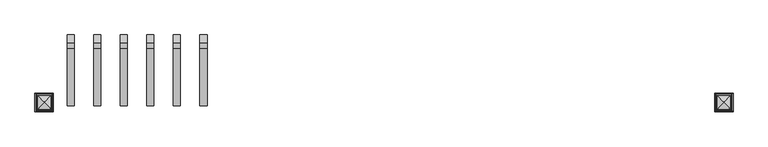
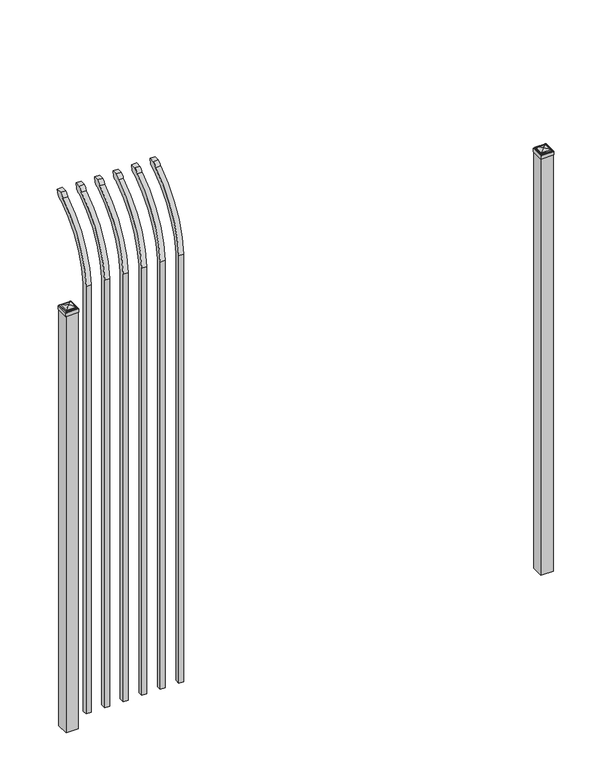
"""IFC4 building model written with IfcOpenShell, lengths in millimetres: railing geometry."""

from ifc_helpers import new_model, si_unit, point, frame, origin, origin_with_axes, place, context, project, spatial, polyline, circle_curve, ellipse_curve, trimmed, outline, extrude, source, transform, mapped, element, save
from ifc_brep_helpers import plane_surface, cylinder_surface, revolved_surface, extruded_surface, advanced_brep


def railing_7e916ccb(model_context):
    return source(origin(), model_context, "Body", "SolidModel", [
        advanced_brep(
        [(25175.9350064, 10381.619541, 50.8), (25175.9350064, 10381.619541, 2368.7226889), (25175.9350064, 10578.7326851, 2700.9022378), (25175.9350064, 10605.2407099, 2715.5867549), (25175.9350064, 10611.1100864, 2743.2), (25175.9350064, 10582.8799449, 2743.2), (25175.9350064, 10563.4931591, 2722.2682561), (25175.9350064, 10356.219541, 2368.7226889), (25175.9350064, 10356.219541, 50.8), (25150.5350064, 10381.619541, 50.8), (25150.5350064, 10381.619541, 2368.7226889), (25150.5350064, 10356.219541, 2368.7226889), (25150.5350064, 10356.219541, 50.8), (25150.5350064, 10563.4931591, 2722.2682561), (25150.5350064, 10582.8799449, 2743.2), (25150.5350064, 10611.1100864, 2743.2), (25150.5350064, 10605.2407099, 2715.5867549), (25150.5350064, 10578.7326851, 2700.9022378)],
        [
            (0, 1),
            (1, 2, circle_curve(frame((25175.9350064, 10818.9874207, 2333.7640776), z_axis=(-1.0, 0.0, 0.0), x_axis=(0.0, 1.0, 0.0)), 438.7627681)),
            (2, 3, ellipse_curve(frame((25175.9350064, 10586.5579376, 2723.3180619), z_axis=(1.0, 0.0, 0.0), x_axis=(0.0, -0.7771459614569761, -0.6293203910498311)), 26.7460194, 19.05)),
            (3, 4),
            (4, 5),
            (5, 6, ellipse_curve(frame((25175.9350064, 10586.5579376, 2723.3180619), z_axis=(0.9999999999999999, 0.0, 0.0), x_axis=(0.0, -0.7771459614569763, -0.6293203910498306)), 26.7460194, 19.05)),
            (6, 7, circle_curve(frame((25175.9350064, 10818.0333244, 2335.5065933), z_axis=(1.0, 0.0, 0.0), x_axis=(0.0, 1.0, 0.0)), 463.0067812)),
            (7, 8),
            (8, 0),
            (0, 9),
            (9, 10),
            (10, 1),
            (7, 11),
            (11, 12),
            (12, 8),
            (12, 9),
            (11, 13, circle_curve(frame((25150.5350064, 10818.0333244, 2335.5065933), z_axis=(-1.0, 0.0, 0.0), x_axis=(0.0, 1.0, 0.0)), 463.0067812)),
            (13, 14, ellipse_curve(frame((25150.5350064, 10586.5579376, 2723.3180619), z_axis=(-0.9999999999999999, 0.0, 0.0), x_axis=(0.0, -0.7771459614569763, -0.6293203910498306)), 26.7460194, 19.05)),
            (14, 15),
            (15, 16),
            (16, 17, ellipse_curve(frame((25150.5350064, 10586.5579376, 2723.3180619), z_axis=(-1.0, 0.0, 0.0), x_axis=(0.0, -0.7771459614569761, -0.6293203910498311)), 26.7460194, 19.05)),
            (17, 10, circle_curve(frame((25150.5350064, 10818.9874207, 2333.7640776), z_axis=(1.0, 0.0, 0.0), x_axis=(0.0, 1.0, 0.0)), 438.7627681)),
            (17, 2),
            (16, 3),
            (15, 4),
            (14, 5),
            (13, 6),
        ],
        [
            plane_surface(frame((25175.9350064, 10381.619541, 50.8), z_axis=(1.0, 0.0, 0.0), x_axis=(0.0, 0.0, 1.0))),
            plane_surface(frame((25175.9350064, 10381.619541, 50.8), z_axis=(0.0, 1.0, 0.0), x_axis=(-1.0, 0.0, 0.0))),
            plane_surface(frame((25175.9350064, 10356.219541, 2368.7226889), z_axis=(0.0, -1.0, 0.0), x_axis=(-1.0, 0.0, 0.0))),
            plane_surface(frame((25175.9350064, 10356.219541, 50.8), z_axis=(0.0, 0.0, -1.0), x_axis=(-1.0, 0.0, 0.0))),
            plane_surface(frame((25150.5350064, 10381.619541, 50.8), z_axis=(-1.0, 0.0, 0.0), x_axis=(0.0, 0.0, -1.0))),
            revolved_surface(polyline([(25150.5350064, 11257.750188799999, 2333.7640776), (25175.9350064, 11257.750188799999, 2333.7640776)]), (25150.5350064, 10818.9874207, 2333.7640776), (-1.0, 0.0, 0.0)),
            extruded_surface(trimmed(ellipse_curve(frame((25125.1350064, 10586.5579376, 2723.3180619), z_axis=(1.0, 0.0, 0.0), x_axis=(0.0, -0.7771459614569761, -0.6293203910498311)), 26.7460194, 19.05), [point((25125.1350064, 10578.7326851, 2700.9022378))], [point((25125.1350064, 10605.2407099, 2715.5867549))], True, "CARTESIAN"), (25.400000000001455, 0.0, 0.0), 25.400000000001455),
            plane_surface(frame((25175.9350064, 10605.2407099, 2715.5867549), z_axis=(0.0, 0.9781476007337995, -0.2079116908177883), x_axis=(-1.0, 0.0, 0.0))),
            plane_surface(frame((25175.9350064, 10611.1100864, 2743.2), z_axis=(0.0, 0.0, 1.0), x_axis=(-1.0, 0.0, 0.0))),
            extruded_surface(trimmed(ellipse_curve(frame((25125.1350064, 10586.5579376, 2723.3180619), z_axis=(0.9999999999999999, 0.0, 0.0), x_axis=(0.0, -0.7771459614569763, -0.6293203910498306)), 26.7460194, 19.05), [point((25125.1350064, 10582.8799449, 2743.2))], [point((25125.1350064, 10563.4931591, 2722.2682561))], True, "CARTESIAN"), (25.400000000001455, 0.0, 0.0), 25.400000000001455),
            cylinder_surface(frame((25150.5350064, 10818.0333244, 2335.5065933), z_axis=(1.0, 0.0, 0.0), x_axis=(0.0, 1.0, 0.0)), 463.0067812),
        ],
        [
            (0, [[1, 2, 3, 4, 5, 6, 7, 8, 9]]),
            (1, [[-1, 10, 11, 12]]),
            (2, [[-8, 13, 14, 15]]),
            (3, [[-9, -15, 16, -10]]),
            (4, [[-16, -14, 17, 18, 19, 20, 21, 22, -11]]),
            (5, [[-2, -12, -22, 23]]),
            (6, [[-3, -23, -21, 24]]),
            (7, [[-4, -24, -20, 25]]),
            (8, [[-5, -25, -19, 26]]),
            (9, [[-6, -26, -18, 27]]),
            (10, [[-7, -27, -17, -13]]),
        ],
    ),
        advanced_brep(
        [(25080.6850064, 10381.619541, 50.8), (25080.6850064, 10381.619541, 2368.7226889), (25080.6850064, 10578.7326851, 2700.9022378), (25080.6850064, 10605.2407099, 2715.5867549), (25080.6850064, 10611.1100864, 2743.2), (25080.6850064, 10582.8799449, 2743.2), (25080.6850064, 10563.4931591, 2722.2682561), (25080.6850064, 10356.219541, 2368.7226889), (25080.6850064, 10356.219541, 50.8), (25055.2850064, 10381.619541, 50.8), (25055.2850064, 10381.619541, 2368.7226889), (25055.2850064, 10356.219541, 2368.7226889), (25055.2850064, 10356.219541, 50.8), (25055.2850064, 10563.4931591, 2722.2682561), (25055.2850064, 10582.8799449, 2743.2), (25055.2850064, 10611.1100864, 2743.2), (25055.2850064, 10605.2407099, 2715.5867549), (25055.2850064, 10578.7326851, 2700.9022378)],
        [
            (0, 1),
            (1, 2, circle_curve(frame((25080.6850064, 10818.9874207, 2333.7640776), z_axis=(-1.0, 0.0, 0.0), x_axis=(0.0, 1.0, 0.0)), 438.7627681)),
            (2, 3, ellipse_curve(frame((25080.6850064, 10586.5579376, 2723.3180619), z_axis=(1.0, 0.0, 0.0), x_axis=(0.0, -0.7771459614569761, -0.6293203910498311)), 26.7460194, 19.05)),
            (3, 4),
            (4, 5),
            (5, 6, ellipse_curve(frame((25080.6850064, 10586.5579376, 2723.3180619), z_axis=(0.9999999999999999, 0.0, 0.0), x_axis=(0.0, -0.7771459614569763, -0.6293203910498306)), 26.7460194, 19.05)),
            (6, 7, circle_curve(frame((25080.6850064, 10818.0333244, 2335.5065933), z_axis=(1.0, 0.0, 0.0), x_axis=(0.0, 1.0, 0.0)), 463.0067812)),
            (7, 8),
            (8, 0),
            (0, 9),
            (9, 10),
            (10, 1),
            (7, 11),
            (11, 12),
            (12, 8),
            (12, 9),
            (11, 13, circle_curve(frame((25055.2850064, 10818.0333244, 2335.5065933), z_axis=(-1.0, 0.0, 0.0), x_axis=(0.0, 1.0, 0.0)), 463.0067812)),
            (13, 14, ellipse_curve(frame((25055.2850064, 10586.5579376, 2723.3180619), z_axis=(-0.9999999999999999, 0.0, 0.0), x_axis=(0.0, -0.7771459614569763, -0.6293203910498306)), 26.7460194, 19.05)),
            (14, 15),
            (15, 16),
            (16, 17, ellipse_curve(frame((25055.2850064, 10586.5579376, 2723.3180619), z_axis=(-1.0, 0.0, 0.0), x_axis=(0.0, -0.7771459614569761, -0.6293203910498311)), 26.7460194, 19.05)),
            (17, 10, circle_curve(frame((25055.2850064, 10818.9874207, 2333.7640776), z_axis=(1.0, 0.0, 0.0), x_axis=(0.0, 1.0, 0.0)), 438.7627681)),
            (17, 2),
            (16, 3),
            (15, 4),
            (14, 5),
            (13, 6),
        ],
        [
            plane_surface(frame((25080.6850064, 10381.619541, 50.8), z_axis=(1.0, 0.0, 0.0), x_axis=(0.0, 0.0, 1.0))),
            plane_surface(frame((25080.6850064, 10381.619541, 50.8), z_axis=(0.0, 1.0, 0.0), x_axis=(-1.0, 0.0, 0.0))),
            plane_surface(frame((25080.6850064, 10356.219541, 2368.7226889), z_axis=(0.0, -1.0, 0.0), x_axis=(-1.0, 0.0, 0.0))),
            plane_surface(frame((25080.6850064, 10356.219541, 50.8), z_axis=(0.0, 0.0, -1.0), x_axis=(-1.0, 0.0, 0.0))),
            plane_surface(frame((25055.2850064, 10381.619541, 50.8), z_axis=(-1.0, 0.0, 0.0), x_axis=(0.0, 0.0, -1.0))),
            revolved_surface(polyline([(25055.2850064, 11257.750188799999, 2333.7640776), (25080.6850064, 11257.750188799999, 2333.7640776)]), (25055.2850064, 10818.9874207, 2333.7640776), (-1.0, 0.0, 0.0)),
            extruded_surface(trimmed(ellipse_curve(frame((25029.8850064, 10586.5579376, 2723.3180619), z_axis=(1.0, 0.0, 0.0), x_axis=(0.0, -0.7771459614569761, -0.6293203910498311)), 26.7460194, 19.05), [point((25029.8850064, 10578.7326851, 2700.9022378))], [point((25029.8850064, 10605.2407099, 2715.5867549))], True, "CARTESIAN"), (25.400000000001455, 0.0, 0.0), 25.400000000001455),
            plane_surface(frame((25080.6850064, 10605.2407099, 2715.5867549), z_axis=(0.0, 0.9781476007337995, -0.2079116908177883), x_axis=(-1.0, 0.0, 0.0))),
            plane_surface(frame((25080.6850064, 10611.1100864, 2743.2), z_axis=(0.0, 0.0, 1.0), x_axis=(-1.0, 0.0, 0.0))),
            extruded_surface(trimmed(ellipse_curve(frame((25029.8850064, 10586.5579376, 2723.3180619), z_axis=(0.9999999999999999, 0.0, 0.0), x_axis=(0.0, -0.7771459614569763, -0.6293203910498306)), 26.7460194, 19.05), [point((25029.8850064, 10582.8799449, 2743.2))], [point((25029.8850064, 10563.4931591, 2722.2682561))], True, "CARTESIAN"), (25.400000000001455, 0.0, 0.0), 25.400000000001455),
            cylinder_surface(frame((25055.2850064, 10818.0333244, 2335.5065933), z_axis=(1.0, 0.0, 0.0), x_axis=(0.0, 1.0, 0.0)), 463.0067812),
        ],
        [
            (0, [[1, 2, 3, 4, 5, 6, 7, 8, 9]]),
            (1, [[-1, 10, 11, 12]]),
            (2, [[-8, 13, 14, 15]]),
            (3, [[-9, -15, 16, -10]]),
            (4, [[-16, -14, 17, 18, 19, 20, 21, 22, -11]]),
            (5, [[-2, -12, -22, 23]]),
            (6, [[-3, -23, -21, 24]]),
            (7, [[-4, -24, -20, 25]]),
            (8, [[-5, -25, -19, 26]]),
            (9, [[-6, -26, -18, 27]]),
            (10, [[-7, -27, -17, -13]]),
        ],
    ),
        advanced_brep(
        [(24985.4350064, 10381.619541, 50.8), (24985.4350064, 10381.619541, 2368.7226889), (24985.4350064, 10578.7326851, 2700.9022378), (24985.4350064, 10605.2407099, 2715.5867549), (24985.4350064, 10611.1100864, 2743.2), (24985.4350064, 10582.8799449, 2743.2), (24985.4350064, 10563.4931591, 2722.2682561), (24985.4350064, 10356.219541, 2368.7226889), (24985.4350064, 10356.219541, 50.8), (24960.0350064, 10381.619541, 50.8), (24960.0350064, 10381.619541, 2368.7226889), (24960.0350064, 10356.219541, 2368.7226889), (24960.0350064, 10356.219541, 50.8), (24960.0350064, 10563.4931591, 2722.2682561), (24960.0350064, 10582.8799449, 2743.2), (24960.0350064, 10611.1100864, 2743.2), (24960.0350064, 10605.2407099, 2715.5867549), (24960.0350064, 10578.7326851, 2700.9022378)],
        [
            (0, 1),
            (1, 2, circle_curve(frame((24985.4350064, 10818.9874207, 2333.7640776), z_axis=(-1.0, 0.0, 0.0), x_axis=(0.0, 1.0, 0.0)), 438.7627681)),
            (2, 3, ellipse_curve(frame((24985.4350064, 10586.5579376, 2723.3180619), z_axis=(1.0, 0.0, 0.0), x_axis=(0.0, -0.7771459614569761, -0.6293203910498311)), 26.7460194, 19.05)),
            (3, 4),
            (4, 5),
            (5, 6, ellipse_curve(frame((24985.4350064, 10586.5579376, 2723.3180619), z_axis=(0.9999999999999999, 0.0, 0.0), x_axis=(0.0, -0.7771459614569763, -0.6293203910498306)), 26.7460194, 19.05)),
            (6, 7, circle_curve(frame((24985.4350064, 10818.0333244, 2335.5065933), z_axis=(1.0, 0.0, 0.0), x_axis=(0.0, 1.0, 0.0)), 463.0067812)),
            (7, 8),
            (8, 0),
            (0, 9),
            (9, 10),
            (10, 1),
            (7, 11),
            (11, 12),
            (12, 8),
            (12, 9),
            (11, 13, circle_curve(frame((24960.0350064, 10818.0333244, 2335.5065933), z_axis=(-1.0, 0.0, 0.0), x_axis=(0.0, 1.0, 0.0)), 463.0067812)),
            (13, 14, ellipse_curve(frame((24960.0350064, 10586.5579376, 2723.3180619), z_axis=(-0.9999999999999999, 0.0, 0.0), x_axis=(0.0, -0.7771459614569763, -0.6293203910498306)), 26.7460194, 19.05)),
            (14, 15),
            (15, 16),
            (16, 17, ellipse_curve(frame((24960.0350064, 10586.5579376, 2723.3180619), z_axis=(-1.0, 0.0, 0.0), x_axis=(0.0, -0.7771459614569761, -0.6293203910498311)), 26.7460194, 19.05)),
            (17, 10, circle_curve(frame((24960.0350064, 10818.9874207, 2333.7640776), z_axis=(1.0, 0.0, 0.0), x_axis=(0.0, 1.0, 0.0)), 438.7627681)),
            (17, 2),
            (16, 3),
            (15, 4),
            (14, 5),
            (13, 6),
        ],
        [
            plane_surface(frame((24985.4350064, 10381.619541, 50.8), z_axis=(1.0, 0.0, 0.0), x_axis=(0.0, 0.0, 1.0))),
            plane_surface(frame((24985.4350064, 10381.619541, 50.8), z_axis=(0.0, 1.0, 0.0), x_axis=(-1.0, 0.0, 0.0))),
            plane_surface(frame((24985.4350064, 10356.219541, 2368.7226889), z_axis=(0.0, -1.0, 0.0), x_axis=(-1.0, 0.0, 0.0))),
            plane_surface(frame((24985.4350064, 10356.219541, 50.8), z_axis=(0.0, 0.0, -1.0), x_axis=(-1.0, 0.0, 0.0))),
            plane_surface(frame((24960.0350064, 10381.619541, 50.8), z_axis=(-1.0, 0.0, 0.0), x_axis=(0.0, 0.0, -1.0))),
            revolved_surface(polyline([(24960.0350064, 11257.750188799999, 2333.7640776), (24985.4350064, 11257.750188799999, 2333.7640776)]), (24960.0350064, 10818.9874207, 2333.7640776), (-1.0, 0.0, 0.0)),
            extruded_surface(trimmed(ellipse_curve(frame((24934.6350064, 10586.5579376, 2723.3180619), z_axis=(1.0, 0.0, 0.0), x_axis=(0.0, -0.7771459614569761, -0.6293203910498311)), 26.7460194, 19.05), [point((24934.6350064, 10578.7326851, 2700.9022378))], [point((24934.6350064, 10605.2407099, 2715.5867549))], True, "CARTESIAN"), (25.400000000001455, 0.0, 0.0), 25.400000000001455),
            plane_surface(frame((24985.4350064, 10605.2407099, 2715.5867549), z_axis=(0.0, 0.9781476007337995, -0.2079116908177883), x_axis=(-1.0, 0.0, 0.0))),
            plane_surface(frame((24985.4350064, 10611.1100864, 2743.2), z_axis=(0.0, 0.0, 1.0), x_axis=(-1.0, 0.0, 0.0))),
            extruded_surface(trimmed(ellipse_curve(frame((24934.6350064, 10586.5579376, 2723.3180619), z_axis=(0.9999999999999999, 0.0, 0.0), x_axis=(0.0, -0.7771459614569763, -0.6293203910498306)), 26.7460194, 19.05), [point((24934.6350064, 10582.8799449, 2743.2))], [point((24934.6350064, 10563.4931591, 2722.2682561))], True, "CARTESIAN"), (25.400000000001455, 0.0, 0.0), 25.400000000001455),
            cylinder_surface(frame((24960.0350064, 10818.0333244, 2335.5065933), z_axis=(1.0, 0.0, 0.0), x_axis=(0.0, 1.0, 0.0)), 463.0067812),
        ],
        [
            (0, [[1, 2, 3, 4, 5, 6, 7, 8, 9]]),
            (1, [[-1, 10, 11, 12]]),
            (2, [[-8, 13, 14, 15]]),
            (3, [[-9, -15, 16, -10]]),
            (4, [[-16, -14, 17, 18, 19, 20, 21, 22, -11]]),
            (5, [[-2, -12, -22, 23]]),
            (6, [[-3, -23, -21, 24]]),
            (7, [[-4, -24, -20, 25]]),
            (8, [[-5, -25, -19, 26]]),
            (9, [[-6, -26, -18, 27]]),
            (10, [[-7, -27, -17, -13]]),
        ],
    ),
        advanced_brep(
        [(24890.1850064, 10381.619541, 50.8), (24890.1850064, 10381.619541, 2368.7226889), (24890.1850064, 10578.7326851, 2700.9022378), (24890.1850064, 10605.2407099, 2715.5867549), (24890.1850064, 10611.1100864, 2743.2), (24890.1850064, 10582.8799449, 2743.2), (24890.1850064, 10563.4931591, 2722.2682561), (24890.1850064, 10356.219541, 2368.7226889), (24890.1850064, 10356.219541, 50.8), (24864.7850064, 10381.619541, 50.8), (24864.7850064, 10381.619541, 2368.7226889), (24864.7850064, 10356.219541, 2368.7226889), (24864.7850064, 10356.219541, 50.8), (24864.7850064, 10563.4931591, 2722.2682561), (24864.7850064, 10582.8799449, 2743.2), (24864.7850064, 10611.1100864, 2743.2), (24864.7850064, 10605.2407099, 2715.5867549), (24864.7850064, 10578.7326851, 2700.9022378)],
        [
            (0, 1),
            (1, 2, circle_curve(frame((24890.1850064, 10818.9874207, 2333.7640776), z_axis=(-1.0, 0.0, 0.0), x_axis=(0.0, 1.0, 0.0)), 438.7627681)),
            (2, 3, ellipse_curve(frame((24890.1850064, 10586.5579376, 2723.3180619), z_axis=(1.0, 0.0, 0.0), x_axis=(0.0, -0.7771459614569761, -0.6293203910498311)), 26.7460194, 19.05)),
            (3, 4),
            (4, 5),
            (5, 6, ellipse_curve(frame((24890.1850064, 10586.5579376, 2723.3180619), z_axis=(0.9999999999999999, 0.0, 0.0), x_axis=(0.0, -0.7771459614569763, -0.6293203910498306)), 26.7460194, 19.05)),
            (6, 7, circle_curve(frame((24890.1850064, 10818.0333244, 2335.5065933), z_axis=(1.0, 0.0, 0.0), x_axis=(0.0, 1.0, 0.0)), 463.0067812)),
            (7, 8),
            (8, 0),
            (0, 9),
            (9, 10),
            (10, 1),
            (7, 11),
            (11, 12),
            (12, 8),
            (12, 9),
            (11, 13, circle_curve(frame((24864.7850064, 10818.0333244, 2335.5065933), z_axis=(-1.0, 0.0, 0.0), x_axis=(0.0, 1.0, 0.0)), 463.0067812)),
            (13, 14, ellipse_curve(frame((24864.7850064, 10586.5579376, 2723.3180619), z_axis=(-0.9999999999999999, 0.0, 0.0), x_axis=(0.0, -0.7771459614569763, -0.6293203910498306)), 26.7460194, 19.05)),
            (14, 15),
            (15, 16),
            (16, 17, ellipse_curve(frame((24864.7850064, 10586.5579376, 2723.3180619), z_axis=(-1.0, 0.0, 0.0), x_axis=(0.0, -0.7771459614569761, -0.6293203910498311)), 26.7460194, 19.05)),
            (17, 10, circle_curve(frame((24864.7850064, 10818.9874207, 2333.7640776), z_axis=(1.0, 0.0, 0.0), x_axis=(0.0, 1.0, 0.0)), 438.7627681)),
            (17, 2),
            (16, 3),
            (15, 4),
            (14, 5),
            (13, 6),
        ],
        [
            plane_surface(frame((24890.1850064, 10381.619541, 50.8), z_axis=(1.0, 0.0, 0.0), x_axis=(0.0, 0.0, 1.0))),
            plane_surface(frame((24890.1850064, 10381.619541, 50.8), z_axis=(0.0, 1.0, 0.0), x_axis=(-1.0, 0.0, 0.0))),
            plane_surface(frame((24890.1850064, 10356.219541, 2368.7226889), z_axis=(0.0, -1.0, 0.0), x_axis=(-1.0, 0.0, 0.0))),
            plane_surface(frame((24890.1850064, 10356.219541, 50.8), z_axis=(0.0, 0.0, -1.0), x_axis=(-1.0, 0.0, 0.0))),
            plane_surface(frame((24864.7850064, 10381.619541, 50.8), z_axis=(-1.0, 0.0, 0.0), x_axis=(0.0, 0.0, -1.0))),
            revolved_surface(polyline([(24864.7850064, 11257.750188799999, 2333.7640776), (24890.1850064, 11257.750188799999, 2333.7640776)]), (24864.7850064, 10818.9874207, 2333.7640776), (-1.0, 0.0, 0.0)),
            extruded_surface(trimmed(ellipse_curve(frame((24839.3850064, 10586.5579376, 2723.3180619), z_axis=(1.0, 0.0, 0.0), x_axis=(0.0, -0.7771459614569761, -0.6293203910498311)), 26.7460194, 19.05), [point((24839.3850064, 10578.7326851, 2700.9022378))], [point((24839.3850064, 10605.2407099, 2715.5867549))], True, "CARTESIAN"), (25.400000000001455, 0.0, 0.0), 25.400000000001455),
            plane_surface(frame((24890.1850064, 10605.2407099, 2715.5867549), z_axis=(0.0, 0.9781476007337995, -0.2079116908177883), x_axis=(-1.0, 0.0, 0.0))),
            plane_surface(frame((24890.1850064, 10611.1100864, 2743.2), z_axis=(0.0, 0.0, 1.0), x_axis=(-1.0, 0.0, 0.0))),
            extruded_surface(trimmed(ellipse_curve(frame((24839.3850064, 10586.5579376, 2723.3180619), z_axis=(0.9999999999999999, 0.0, 0.0), x_axis=(0.0, -0.7771459614569763, -0.6293203910498306)), 26.7460194, 19.05), [point((24839.3850064, 10582.8799449, 2743.2))], [point((24839.3850064, 10563.4931591, 2722.2682561))], True, "CARTESIAN"), (25.400000000001455, 0.0, 0.0), 25.400000000001455),
            cylinder_surface(frame((24864.7850064, 10818.0333244, 2335.5065933), z_axis=(1.0, 0.0, 0.0), x_axis=(0.0, 1.0, 0.0)), 463.0067812),
        ],
        [
            (0, [[1, 2, 3, 4, 5, 6, 7, 8, 9]]),
            (1, [[-1, 10, 11, 12]]),
            (2, [[-8, 13, 14, 15]]),
            (3, [[-9, -15, 16, -10]]),
            (4, [[-16, -14, 17, 18, 19, 20, 21, 22, -11]]),
            (5, [[-2, -12, -22, 23]]),
            (6, [[-3, -23, -21, 24]]),
            (7, [[-4, -24, -20, 25]]),
            (8, [[-5, -25, -19, 26]]),
            (9, [[-6, -26, -18, 27]]),
            (10, [[-7, -27, -17, -13]]),
        ],
    ),
        advanced_brep(
        [(24794.9350064, 10381.619541, 50.8), (24794.9350064, 10381.619541, 2368.7226889), (24794.9350064, 10578.7326851, 2700.9022378), (24794.9350064, 10605.2407099, 2715.5867549), (24794.9350064, 10611.1100864, 2743.2), (24794.9350064, 10582.8799449, 2743.2), (24794.9350064, 10563.4931591, 2722.2682561), (24794.9350064, 10356.219541, 2368.7226889), (24794.9350064, 10356.219541, 50.8), (24769.5350064, 10381.619541, 50.8), (24769.5350064, 10381.619541, 2368.7226889), (24769.5350064, 10356.219541, 2368.7226889), (24769.5350064, 10356.219541, 50.8), (24769.5350064, 10563.4931591, 2722.2682561), (24769.5350064, 10582.8799449, 2743.2), (24769.5350064, 10611.1100864, 2743.2), (24769.5350064, 10605.2407099, 2715.5867549), (24769.5350064, 10578.7326851, 2700.9022378)],
        [
            (0, 1),
            (1, 2, circle_curve(frame((24794.9350064, 10818.9874207, 2333.7640776), z_axis=(-1.0, 0.0, 0.0), x_axis=(0.0, 1.0, 0.0)), 438.7627681)),
            (2, 3, ellipse_curve(frame((24794.9350064, 10586.5579376, 2723.3180619), z_axis=(1.0, 0.0, 0.0), x_axis=(0.0, -0.7771459614569761, -0.6293203910498311)), 26.7460194, 19.05)),
            (3, 4),
            (4, 5),
            (5, 6, ellipse_curve(frame((24794.9350064, 10586.5579376, 2723.3180619), z_axis=(0.9999999999999999, 0.0, 0.0), x_axis=(0.0, -0.7771459614569763, -0.6293203910498306)), 26.7460194, 19.05)),
            (6, 7, circle_curve(frame((24794.9350064, 10818.0333244, 2335.5065933), z_axis=(1.0, 0.0, 0.0), x_axis=(0.0, 1.0, 0.0)), 463.0067812)),
            (7, 8),
            (8, 0),
            (0, 9),
            (9, 10),
            (10, 1),
            (7, 11),
            (11, 12),
            (12, 8),
            (12, 9),
            (11, 13, circle_curve(frame((24769.5350064, 10818.0333244, 2335.5065933), z_axis=(-1.0, 0.0, 0.0), x_axis=(0.0, 1.0, 0.0)), 463.0067812)),
            (13, 14, ellipse_curve(frame((24769.5350064, 10586.5579376, 2723.3180619), z_axis=(-0.9999999999999999, 0.0, 0.0), x_axis=(0.0, -0.7771459614569763, -0.6293203910498306)), 26.7460194, 19.05)),
            (14, 15),
            (15, 16),
            (16, 17, ellipse_curve(frame((24769.5350064, 10586.5579376, 2723.3180619), z_axis=(-1.0, 0.0, 0.0), x_axis=(0.0, -0.7771459614569761, -0.6293203910498311)), 26.7460194, 19.05)),
            (17, 10, circle_curve(frame((24769.5350064, 10818.9874207, 2333.7640776), z_axis=(1.0, 0.0, 0.0), x_axis=(0.0, 1.0, 0.0)), 438.7627681)),
            (17, 2),
            (16, 3),
            (15, 4),
            (14, 5),
            (13, 6),
        ],
        [
            plane_surface(frame((24794.9350064, 10381.619541, 50.8), z_axis=(1.0, 0.0, 0.0), x_axis=(0.0, 0.0, 1.0))),
            plane_surface(frame((24794.9350064, 10381.619541, 50.8), z_axis=(0.0, 1.0, 0.0), x_axis=(-1.0, 0.0, 0.0))),
            plane_surface(frame((24794.9350064, 10356.219541, 2368.7226889), z_axis=(0.0, -1.0, 0.0), x_axis=(-1.0, 0.0, 0.0))),
            plane_surface(frame((24794.9350064, 10356.219541, 50.8), z_axis=(0.0, 0.0, -1.0), x_axis=(-1.0, 0.0, 0.0))),
            plane_surface(frame((24769.5350064, 10381.619541, 50.8), z_axis=(-1.0, 0.0, 0.0), x_axis=(0.0, 0.0, -1.0))),
            revolved_surface(polyline([(24769.5350064, 11257.750188799999, 2333.7640776), (24794.9350064, 11257.750188799999, 2333.7640776)]), (24769.5350064, 10818.9874207, 2333.7640776), (-1.0, 0.0, 0.0)),
            extruded_surface(trimmed(ellipse_curve(frame((24744.1350064, 10586.5579376, 2723.3180619), z_axis=(1.0, 0.0, 0.0), x_axis=(0.0, -0.7771459614569761, -0.6293203910498311)), 26.7460194, 19.05), [point((24744.1350064, 10578.7326851, 2700.9022378))], [point((24744.1350064, 10605.2407099, 2715.5867549))], True, "CARTESIAN"), (25.400000000001455, 0.0, 0.0), 25.400000000001455),
            plane_surface(frame((24794.9350064, 10605.2407099, 2715.5867549), z_axis=(0.0, 0.9781476007337995, -0.2079116908177883), x_axis=(-1.0, 0.0, 0.0))),
            plane_surface(frame((24794.9350064, 10611.1100864, 2743.2), z_axis=(0.0, 0.0, 1.0), x_axis=(-1.0, 0.0, 0.0))),
            extruded_surface(trimmed(ellipse_curve(frame((24744.1350064, 10586.5579376, 2723.3180619), z_axis=(0.9999999999999999, 0.0, 0.0), x_axis=(0.0, -0.7771459614569763, -0.6293203910498306)), 26.7460194, 19.05), [point((24744.1350064, 10582.8799449, 2743.2))], [point((24744.1350064, 10563.4931591, 2722.2682561))], True, "CARTESIAN"), (25.400000000001455, 0.0, 0.0), 25.400000000001455),
            cylinder_surface(frame((24769.5350064, 10818.0333244, 2335.5065933), z_axis=(1.0, 0.0, 0.0), x_axis=(0.0, 1.0, 0.0)), 463.0067812),
        ],
        [
            (0, [[1, 2, 3, 4, 5, 6, 7, 8, 9]]),
            (1, [[-1, 10, 11, 12]]),
            (2, [[-8, 13, 14, 15]]),
            (3, [[-9, -15, 16, -10]]),
            (4, [[-16, -14, 17, 18, 19, 20, 21, 22, -11]]),
            (5, [[-2, -12, -22, 23]]),
            (6, [[-3, -23, -21, 24]]),
            (7, [[-4, -24, -20, 25]]),
            (8, [[-5, -25, -19, 26]]),
            (9, [[-6, -26, -18, 27]]),
            (10, [[-7, -27, -17, -13]]),
        ],
    ),
        advanced_brep(
        [(24699.6850064, 10381.619541, 50.8), (24699.6850064, 10381.619541, 2368.7226889), (24699.6850064, 10578.7326851, 2700.9022378), (24699.6850064, 10605.2407099, 2715.5867549), (24699.6850064, 10611.1100864, 2743.2), (24699.6850064, 10582.8799449, 2743.2), (24699.6850064, 10563.4931591, 2722.2682561), (24699.6850064, 10356.219541, 2368.7226889), (24699.6850064, 10356.219541, 50.8), (24674.2850064, 10381.619541, 50.8), (24674.2850064, 10381.619541, 2368.7226889), (24674.2850064, 10356.219541, 2368.7226889), (24674.2850064, 10356.219541, 50.8), (24674.2850064, 10563.4931591, 2722.2682561), (24674.2850064, 10582.8799449, 2743.2), (24674.2850064, 10611.1100864, 2743.2), (24674.2850064, 10605.2407099, 2715.5867549), (24674.2850064, 10578.7326851, 2700.9022378)],
        [
            (0, 1),
            (1, 2, circle_curve(frame((24699.6850064, 10818.9874207, 2333.7640776), z_axis=(-1.0, 0.0, 0.0), x_axis=(0.0, 1.0, 0.0)), 438.7627681)),
            (2, 3, ellipse_curve(frame((24699.6850064, 10586.5579376, 2723.3180619), z_axis=(1.0, 0.0, 0.0), x_axis=(0.0, -0.7771459614569761, -0.6293203910498311)), 26.7460194, 19.05)),
            (3, 4),
            (4, 5),
            (5, 6, ellipse_curve(frame((24699.6850064, 10586.5579376, 2723.3180619), z_axis=(0.9999999999999999, 0.0, 0.0), x_axis=(0.0, -0.7771459614569763, -0.6293203910498306)), 26.7460194, 19.05)),
            (6, 7, circle_curve(frame((24699.6850064, 10818.0333244, 2335.5065933), z_axis=(1.0, 0.0, 0.0), x_axis=(0.0, 1.0, 0.0)), 463.0067812)),
            (7, 8),
            (8, 0),
            (0, 9),
            (9, 10),
            (10, 1),
            (7, 11),
            (11, 12),
            (12, 8),
            (12, 9),
            (11, 13, circle_curve(frame((24674.2850064, 10818.0333244, 2335.5065933), z_axis=(-1.0, 0.0, 0.0), x_axis=(0.0, 1.0, 0.0)), 463.0067812)),
            (13, 14, ellipse_curve(frame((24674.2850064, 10586.5579376, 2723.3180619), z_axis=(-0.9999999999999999, 0.0, 0.0), x_axis=(0.0, -0.7771459614569763, -0.6293203910498306)), 26.7460194, 19.05)),
            (14, 15),
            (15, 16),
            (16, 17, ellipse_curve(frame((24674.2850064, 10586.5579376, 2723.3180619), z_axis=(-1.0, 0.0, 0.0), x_axis=(0.0, -0.7771459614569761, -0.6293203910498311)), 26.7460194, 19.05)),
            (17, 10, circle_curve(frame((24674.2850064, 10818.9874207, 2333.7640776), z_axis=(1.0, 0.0, 0.0), x_axis=(0.0, 1.0, 0.0)), 438.7627681)),
            (17, 2),
            (16, 3),
            (15, 4),
            (14, 5),
            (13, 6),
        ],
        [
            plane_surface(frame((24699.6850064, 10381.619541, 50.8), z_axis=(1.0, 0.0, 0.0), x_axis=(0.0, 0.0, 1.0))),
            plane_surface(frame((24699.6850064, 10381.619541, 50.8), z_axis=(0.0, 1.0, 0.0), x_axis=(-1.0, 0.0, 0.0))),
            plane_surface(frame((24699.6850064, 10356.219541, 2368.7226889), z_axis=(0.0, -1.0, 0.0), x_axis=(-1.0, 0.0, 0.0))),
            plane_surface(frame((24699.6850064, 10356.219541, 50.8), z_axis=(0.0, 0.0, -1.0), x_axis=(-1.0, 0.0, 0.0))),
            plane_surface(frame((24674.2850064, 10381.619541, 50.8), z_axis=(-1.0, 0.0, 0.0), x_axis=(0.0, 0.0, -1.0))),
            revolved_surface(polyline([(24674.2850064, 11257.750188799999, 2333.7640776), (24699.6850064, 11257.750188799999, 2333.7640776)]), (24674.2850064, 10818.9874207, 2333.7640776), (-1.0, 0.0, 0.0)),
            extruded_surface(trimmed(ellipse_curve(frame((24648.8850064, 10586.5579376, 2723.3180619), z_axis=(1.0, 0.0, 0.0), x_axis=(0.0, -0.7771459614569761, -0.6293203910498311)), 26.7460194, 19.05), [point((24648.8850064, 10578.7326851, 2700.9022378))], [point((24648.8850064, 10605.2407099, 2715.5867549))], True, "CARTESIAN"), (25.400000000001455, 0.0, 0.0), 25.400000000001455),
            plane_surface(frame((24699.6850064, 10605.2407099, 2715.5867549), z_axis=(0.0, 0.9781476007337995, -0.2079116908177883), x_axis=(-1.0, 0.0, 0.0))),
            plane_surface(frame((24699.6850064, 10611.1100864, 2743.2), z_axis=(0.0, 0.0, 1.0), x_axis=(-1.0, 0.0, 0.0))),
            extruded_surface(trimmed(ellipse_curve(frame((24648.8850064, 10586.5579376, 2723.3180619), z_axis=(0.9999999999999999, 0.0, 0.0), x_axis=(0.0, -0.7771459614569763, -0.6293203910498306)), 26.7460194, 19.05), [point((24648.8850064, 10582.8799449, 2743.2))], [point((24648.8850064, 10563.4931591, 2722.2682561))], True, "CARTESIAN"), (25.400000000001455, 0.0, 0.0), 25.400000000001455),
            cylinder_surface(frame((24674.2850064, 10818.0333244, 2335.5065933), z_axis=(1.0, 0.0, 0.0), x_axis=(0.0, 1.0, 0.0)), 463.0067812),
        ],
        [
            (0, [[1, 2, 3, 4, 5, 6, 7, 8, 9]]),
            (1, [[-1, 10, 11, 12]]),
            (2, [[-8, 13, 14, 15]]),
            (3, [[-9, -15, 16, -10]]),
            (4, [[-16, -14, 17, 18, 19, 20, 21, 22, -11]]),
            (5, [[-2, -12, -22, 23]]),
            (6, [[-3, -23, -21, 24]]),
            (7, [[-4, -24, -20, 25]]),
            (8, [[-5, -25, -19, 26]]),
            (9, [[-6, -26, -18, 27]]),
            (10, [[-7, -27, -17, -13]]),
        ],
    ),
        extrude(outline(polyline([(27061.8850064, 10400.669541), (27061.8850064, 10337.169541), (26998.3850064, 10337.169541), (26998.3850064, 10400.669541), (27061.8850064, 10400.669541)])), origin_with_axes(), (0.0, 0.0, 1.0), 2259.0125),
        advanced_brep(
        [(26996.7975064, 10402.257041, 2277.26875), (26996.7975064, 10402.257041, 2259.0125), (26996.7975064, 10335.582041, 2259.0125), (26996.7975064, 10335.582041, 2277.26875), (26999.1787564, 10399.875791, 2279.65), (26999.1787564, 10337.963291, 2279.65), (27001.5600064, 10397.494541, 2282.03125), (27001.5600064, 10397.494541, 2279.65), (27001.5600064, 10340.344541, 2279.65), (27001.5600064, 10340.344541, 2282.03125), (27003.9412564, 10395.113291, 2284.4125), (27003.9412564, 10342.725791, 2284.4125), (27030.1350064, 10368.919541, 2290.7625), (27006.3225064, 10392.732041, 2284.4125), (27006.3225064, 10345.107041, 2284.4125), (27063.4725064, 10335.582041, 2259.0125), (27063.4725064, 10335.582041, 2277.26875), (27061.0912564, 10337.963291, 2279.65), (27058.7100064, 10340.344541, 2279.65), (27058.7100064, 10340.344541, 2282.03125), (27056.3287564, 10342.725791, 2284.4125), (27053.9475064, 10345.107041, 2284.4125), (27063.4725064, 10402.257041, 2259.0125), (27063.4725064, 10402.257041, 2277.26875), (27061.0912564, 10399.875791, 2279.65), (27058.7100064, 10397.494541, 2279.65), (27058.7100064, 10397.494541, 2282.03125), (27056.3287564, 10395.113291, 2284.4125), (27053.9475064, 10392.732041, 2284.4125)],
        [
            (0, 1),
            (1, 2),
            (2, 3),
            (3, 0),
            (4, 0, ellipse_curve(frame((26999.1787564, 10399.875791, 2277.26875), z_axis=(-0.70710678118655, -0.7071067811865449, 0.0), x_axis=(-0.7071067811865448, 0.7071067811865501, 0.0)), 3.367596, 2.38125)),
            (3, 5, ellipse_curve(frame((26999.1787564, 10337.963291, 2277.26875), z_axis=(-0.7071067811865449, 0.70710678118655, 0.0), x_axis=(0.7071067811865499, 0.707106781186545, 0.0)), 3.367596, 2.38125)),
            (5, 4),
            (6, 7),
            (7, 8),
            (8, 9),
            (9, 6),
            (10, 6, ellipse_curve(frame((27003.9412564, 10395.113291, 2282.03125), z_axis=(-0.70710678118655, -0.7071067811865449, 0.0), x_axis=(-0.7071067811865448, 0.7071067811865501, 0.0)), 3.367596, 2.38125)),
            (9, 11, ellipse_curve(frame((27003.9412564, 10342.725791, 2282.03125), z_axis=(-0.7071067811865449, 0.70710678118655, 0.0), x_axis=(0.7071067811865499, 0.707106781186545, 0.0)), 3.367596, 2.38125)),
            (11, 10),
            (12, 13, ellipse_curve(frame((27030.1350064, 10368.919541, 2242.9390625), z_axis=(-0.70710678118655, -0.7071067811865449, 0.0), x_axis=(-0.7071067811865448, 0.7071067811865501, 0.0)), 67.6325539, 47.8234375)),
            (13, 14),
            (14, 12, ellipse_curve(frame((27030.1350064, 10368.919541, 2242.9390625), z_axis=(-0.7071067811865449, 0.70710678118655, 0.0), x_axis=(0.7071067811865499, 0.707106781186545, 0.0)), 67.6325539, 47.8234375)),
            (2, 15),
            (15, 16),
            (16, 3),
            (16, 17, ellipse_curve(frame((27061.0912564, 10337.963291, 2277.26875), z_axis=(-0.70710678118655, -0.707106781186545, 0.0), x_axis=(-0.707106781186545, 0.70710678118655, 0.0)), 3.367596, 2.38125)),
            (17, 5),
            (8, 18),
            (18, 19),
            (19, 9),
            (19, 20, ellipse_curve(frame((27056.3287564, 10342.725791, 2282.03125), z_axis=(-0.70710678118655, -0.707106781186545, 0.0), x_axis=(-0.707106781186545, 0.70710678118655, 0.0)), 3.367596, 2.38125)),
            (20, 11),
            (14, 21),
            (21, 12, ellipse_curve(frame((27030.1350064, 10368.919541, 2242.9390625), z_axis=(-0.70710678118655, -0.707106781186545, 0.0), x_axis=(-0.707106781186545, 0.70710678118655, 0.0)), 67.6325539, 47.8234375)),
            (15, 22),
            (22, 23),
            (23, 16),
            (23, 24, ellipse_curve(frame((27061.0912564, 10399.875791, 2277.26875), z_axis=(0.707106781186545, -0.7071067811865499, 0.0), x_axis=(-0.7071067811865497, -0.7071067811865452, 0.0)), 3.367596, 2.38125)),
            (24, 17),
            (18, 25),
            (25, 26),
            (26, 19),
            (26, 27, ellipse_curve(frame((27056.3287564, 10395.113291, 2282.03125), z_axis=(0.707106781186545, -0.7071067811865499, 0.0), x_axis=(-0.7071067811865497, -0.7071067811865452, 0.0)), 3.367596, 2.38125)),
            (27, 20),
            (21, 28),
            (28, 12, ellipse_curve(frame((27030.1350064, 10368.919541, 2242.9390625), z_axis=(0.707106781186545, -0.7071067811865499, 0.0), x_axis=(-0.7071067811865497, -0.7071067811865452, 0.0)), 67.6325539, 47.8234375)),
            (22, 1),
            (0, 23),
            (4, 24),
            (7, 25),
            (6, 26),
            (10, 27),
            (13, 28),
        ],
        [
            plane_surface(frame((26996.7975064, 10402.257041, 2259.0125), z_axis=(-1.0, 0.0, 0.0), x_axis=(0.0, -1.0, 0.0))),
            cylinder_surface(frame((26999.1787564, 10400.669541, 2277.26875), z_axis=(0.0, 1.0, 0.0), x_axis=(1.0, 0.0, 0.0)), 2.38125),
            plane_surface(frame((27001.5600064, 10397.494541, 2279.65), z_axis=(-1.0, 0.0, 0.0), x_axis=(0.0, -1.0, 0.0))),
            cylinder_surface(frame((27003.9412564, 10400.669541, 2282.03125), z_axis=(0.0, 1.0, 0.0), x_axis=(1.0, 0.0, 0.0)), 2.38125),
            cylinder_surface(frame((27030.1350064, 10400.669541, 2242.9390625), z_axis=(0.0, 1.0, 0.0), x_axis=(1.0, 0.0, 0.0)), 47.8234375),
            plane_surface(frame((26996.7975064, 10335.582041, 2259.0125), z_axis=(0.0, -1.0, 0.0), x_axis=(1.0, 0.0, 0.0))),
            cylinder_surface(frame((26998.3850064, 10337.963291, 2277.26875), z_axis=(-1.0, 0.0, 0.0), x_axis=(0.0, 1.0, 0.0)), 2.38125),
            plane_surface(frame((27001.5600064, 10340.344541, 2279.65), z_axis=(0.0, -1.0, 0.0), x_axis=(1.0, 0.0, 0.0))),
            cylinder_surface(frame((26998.3850064, 10342.725791, 2282.03125), z_axis=(-1.0, 0.0, 0.0), x_axis=(0.0, 1.0, 0.0)), 2.38125),
            cylinder_surface(frame((26998.3850064, 10368.919541, 2242.9390625), z_axis=(-1.0, 0.0, 0.0), x_axis=(0.0, 1.0, 0.0)), 47.8234375),
            plane_surface(frame((27063.4725064, 10335.582041, 2259.0125), z_axis=(1.0, 0.0, 0.0), x_axis=(0.0, 1.0, 0.0))),
            cylinder_surface(frame((27061.0912564, 10337.169541, 2277.26875), z_axis=(0.0, -1.0, 0.0), x_axis=(-1.0, 0.0, 0.0)), 2.38125),
            plane_surface(frame((27058.7100064, 10340.344541, 2279.65), z_axis=(1.0, 0.0, 0.0), x_axis=(0.0, 1.0, 0.0))),
            cylinder_surface(frame((27056.3287564, 10337.169541, 2282.03125), z_axis=(0.0, -1.0, 0.0), x_axis=(-1.0, 0.0, 0.0)), 2.38125),
            cylinder_surface(frame((27030.1350064, 10337.169541, 2242.9390625), z_axis=(0.0, -1.0, 0.0), x_axis=(-1.0, 0.0, 0.0)), 47.8234375),
            plane_surface(frame((27063.4725064, 10402.257041, 2259.0125), z_axis=(0.0, 1.0, 0.0), x_axis=(-1.0, 0.0, 0.0))),
            cylinder_surface(frame((27061.8850064, 10399.875791, 2277.26875), z_axis=(1.0, 0.0, 0.0), x_axis=(0.0, -1.0, 0.0)), 2.38125),
            plane_surface(frame((27061.0912564, 10399.875791, 2279.65), z_axis=(0.0, 0.0, 1.0), x_axis=(-1.0, 0.0, 0.0))),
            plane_surface(frame((27058.7100064, 10397.494541, 2279.65), z_axis=(0.0, 1.0, 0.0), x_axis=(-1.0, 0.0, 0.0))),
            cylinder_surface(frame((27061.8850064, 10395.113291, 2282.03125), z_axis=(1.0, 0.0, 0.0), x_axis=(0.0, -1.0, 0.0)), 2.38125),
            plane_surface(frame((27056.3287564, 10395.113291, 2284.4125), z_axis=(0.0, 0.0, 1.0), x_axis=(-1.0, 0.0, 0.0))),
            cylinder_surface(frame((27061.8850064, 10368.919541, 2242.9390625), z_axis=(1.0, 0.0, 0.0), x_axis=(0.0, -1.0, 0.0)), 47.8234375),
            plane_surface(frame((27030.1350064, 10368.919541, 2259.0125), z_axis=(0.0, 0.0, -1.0), x_axis=(-1.0, 0.0, 0.0))),
        ],
        [
            (0, [[1, 2, 3, 4]]),
            (1, [[5, -4, 6, 7]]),
            (2, [[8, 9, 10, 11]]),
            (3, [[12, -11, 13, 14]]),
            (4, [[15, 16, 17]]),
            (5, [[-3, 18, 19, 20]]),
            (6, [[-6, -20, 21, 22]]),
            (7, [[-10, 23, 24, 25]]),
            (8, [[-13, -25, 26, 27]]),
            (9, [[-17, 28, 29]]),
            (10, [[-19, 30, 31, 32]]),
            (11, [[-21, -32, 33, 34]]),
            (12, [[-24, 35, 36, 37]]),
            (13, [[-26, -37, 38, 39]]),
            (14, [[-29, 40, 41]]),
            (15, [[-31, 42, -1, 43]]),
            (16, [[-33, -43, -5, 44]]),
            (17, [[-22, -34, -44, -7], [45, -35, -23, -9]]),
            (18, [[-36, -45, -8, 46]]),
            (19, [[-38, -46, -12, 47]]),
            (20, [[-27, -39, -47, -14], [48, -40, -28, -16]]),
            (21, [[-41, -48, -15]]),
            (22, [[-42, -30, -18, -2]]),
        ],
    ),
        extrude(outline(polyline([(24623.4850064, 10400.669541), (24623.4850064, 10337.169541), (24559.9850064, 10337.169541), (24559.9850064, 10400.669541), (24623.4850064, 10400.669541)])), origin_with_axes(), (0.0, 0.0, 1.0), 2259.0125),
        advanced_brep(
        [(24558.3975064, 10402.257041, 2277.26875), (24558.3975064, 10402.257041, 2259.0125), (24558.3975064, 10335.582041, 2259.0125), (24558.3975064, 10335.582041, 2277.26875), (24560.7787564, 10399.875791, 2279.65), (24560.7787564, 10337.963291, 2279.65), (24563.1600064, 10397.494541, 2282.03125), (24563.1600064, 10397.494541, 2279.65), (24563.1600064, 10340.344541, 2279.65), (24563.1600064, 10340.344541, 2282.03125), (24565.5412564, 10395.113291, 2284.4125), (24565.5412564, 10342.725791, 2284.4125), (24591.7350064, 10368.919541, 2290.7625), (24567.9225064, 10392.732041, 2284.4125), (24567.9225064, 10345.107041, 2284.4125), (24625.0725064, 10335.582041, 2259.0125), (24625.0725064, 10335.582041, 2277.26875), (24622.6912564, 10337.963291, 2279.65), (24620.3100064, 10340.344541, 2279.65), (24620.3100064, 10340.344541, 2282.03125), (24617.9287564, 10342.725791, 2284.4125), (24615.5475064, 10345.107041, 2284.4125), (24625.0725064, 10402.257041, 2259.0125), (24625.0725064, 10402.257041, 2277.26875), (24622.6912564, 10399.875791, 2279.65), (24620.3100064, 10397.494541, 2279.65), (24620.3100064, 10397.494541, 2282.03125), (24617.9287564, 10395.113291, 2284.4125), (24615.5475064, 10392.732041, 2284.4125)],
        [
            (0, 1),
            (1, 2),
            (2, 3),
            (3, 0),
            (4, 0, ellipse_curve(frame((24560.7787564, 10399.875791, 2277.26875), z_axis=(-0.70710678118655, -0.7071067811865449, 0.0), x_axis=(-0.7071067811865448, 0.7071067811865501, 0.0)), 3.367596, 2.38125)),
            (3, 5, ellipse_curve(frame((24560.7787564, 10337.963291, 2277.26875), z_axis=(-0.7071067811865449, 0.70710678118655, 0.0), x_axis=(0.7071067811865499, 0.707106781186545, 0.0)), 3.367596, 2.38125)),
            (5, 4),
            (6, 7),
            (7, 8),
            (8, 9),
            (9, 6),
            (10, 6, ellipse_curve(frame((24565.5412564, 10395.113291, 2282.03125), z_axis=(-0.70710678118655, -0.7071067811865449, 0.0), x_axis=(-0.7071067811865448, 0.7071067811865501, 0.0)), 3.367596, 2.38125)),
            (9, 11, ellipse_curve(frame((24565.5412564, 10342.725791, 2282.03125), z_axis=(-0.7071067811865449, 0.70710678118655, 0.0), x_axis=(0.7071067811865499, 0.707106781186545, 0.0)), 3.367596, 2.38125)),
            (11, 10),
            (12, 13, ellipse_curve(frame((24591.7350064, 10368.919541, 2242.9390625), z_axis=(-0.70710678118655, -0.7071067811865449, 0.0), x_axis=(-0.7071067811865448, 0.7071067811865501, 0.0)), 67.6325539, 47.8234375)),
            (13, 14),
            (14, 12, ellipse_curve(frame((24591.7350064, 10368.919541, 2242.9390625), z_axis=(-0.7071067811865449, 0.70710678118655, 0.0), x_axis=(0.7071067811865499, 0.707106781186545, 0.0)), 67.6325539, 47.8234375)),
            (2, 15),
            (15, 16),
            (16, 3),
            (16, 17, ellipse_curve(frame((24622.6912564, 10337.963291, 2277.26875), z_axis=(-0.70710678118655, -0.707106781186545, 0.0), x_axis=(-0.707106781186545, 0.70710678118655, 0.0)), 3.367596, 2.38125)),
            (17, 5),
            (8, 18),
            (18, 19),
            (19, 9),
            (19, 20, ellipse_curve(frame((24617.9287564, 10342.725791, 2282.03125), z_axis=(-0.70710678118655, -0.707106781186545, 0.0), x_axis=(-0.707106781186545, 0.70710678118655, 0.0)), 3.367596, 2.38125)),
            (20, 11),
            (14, 21),
            (21, 12, ellipse_curve(frame((24591.7350064, 10368.919541, 2242.9390625), z_axis=(-0.70710678118655, -0.707106781186545, 0.0), x_axis=(-0.707106781186545, 0.70710678118655, 0.0)), 67.6325539, 47.8234375)),
            (15, 22),
            (22, 23),
            (23, 16),
            (23, 24, ellipse_curve(frame((24622.6912564, 10399.875791, 2277.26875), z_axis=(0.707106781186545, -0.7071067811865499, 0.0), x_axis=(-0.7071067811865497, -0.7071067811865452, 0.0)), 3.367596, 2.38125)),
            (24, 17),
            (18, 25),
            (25, 26),
            (26, 19),
            (26, 27, ellipse_curve(frame((24617.9287564, 10395.113291, 2282.03125), z_axis=(0.707106781186545, -0.7071067811865499, 0.0), x_axis=(-0.7071067811865497, -0.7071067811865452, 0.0)), 3.367596, 2.38125)),
            (27, 20),
            (21, 28),
            (28, 12, ellipse_curve(frame((24591.7350064, 10368.919541, 2242.9390625), z_axis=(0.707106781186545, -0.7071067811865499, 0.0), x_axis=(-0.7071067811865497, -0.7071067811865452, 0.0)), 67.6325539, 47.8234375)),
            (22, 1),
            (0, 23),
            (4, 24),
            (7, 25),
            (6, 26),
            (10, 27),
            (13, 28),
        ],
        [
            plane_surface(frame((24558.3975064, 10402.257041, 2259.0125), z_axis=(-1.0, 0.0, 0.0), x_axis=(0.0, -1.0, 0.0))),
            cylinder_surface(frame((24560.7787564, 10400.669541, 2277.26875), z_axis=(0.0, 1.0, 0.0), x_axis=(1.0, 0.0, 0.0)), 2.38125),
            plane_surface(frame((24563.1600064, 10397.494541, 2279.65), z_axis=(-1.0, 0.0, 0.0), x_axis=(0.0, -1.0, 0.0))),
            cylinder_surface(frame((24565.5412564, 10400.669541, 2282.03125), z_axis=(0.0, 1.0, 0.0), x_axis=(1.0, 0.0, 0.0)), 2.38125),
            cylinder_surface(frame((24591.7350064, 10400.669541, 2242.9390625), z_axis=(0.0, 1.0, 0.0), x_axis=(1.0, 0.0, 0.0)), 47.8234375),
            plane_surface(frame((24558.3975064, 10335.582041, 2259.0125), z_axis=(0.0, -1.0, 0.0), x_axis=(1.0, 0.0, 0.0))),
            cylinder_surface(frame((24559.9850064, 10337.963291, 2277.26875), z_axis=(-1.0, 0.0, 0.0), x_axis=(0.0, 1.0, 0.0)), 2.38125),
            plane_surface(frame((24563.1600064, 10340.344541, 2279.65), z_axis=(0.0, -1.0, 0.0), x_axis=(1.0, 0.0, 0.0))),
            cylinder_surface(frame((24559.9850064, 10342.725791, 2282.03125), z_axis=(-1.0, 0.0, 0.0), x_axis=(0.0, 1.0, 0.0)), 2.38125),
            cylinder_surface(frame((24559.9850064, 10368.919541, 2242.9390625), z_axis=(-1.0, 0.0, 0.0), x_axis=(0.0, 1.0, 0.0)), 47.8234375),
            plane_surface(frame((24625.0725064, 10335.582041, 2259.0125), z_axis=(1.0, 0.0, 0.0), x_axis=(0.0, 1.0, 0.0))),
            cylinder_surface(frame((24622.6912564, 10337.169541, 2277.26875), z_axis=(0.0, -1.0, 0.0), x_axis=(-1.0, 0.0, 0.0)), 2.38125),
            plane_surface(frame((24620.3100064, 10340.344541, 2279.65), z_axis=(1.0, 0.0, 0.0), x_axis=(0.0, 1.0, 0.0))),
            cylinder_surface(frame((24617.9287564, 10337.169541, 2282.03125), z_axis=(0.0, -1.0, 0.0), x_axis=(-1.0, 0.0, 0.0)), 2.38125),
            cylinder_surface(frame((24591.7350064, 10337.169541, 2242.9390625), z_axis=(0.0, -1.0, 0.0), x_axis=(-1.0, 0.0, 0.0)), 47.8234375),
            plane_surface(frame((24625.0725064, 10402.257041, 2259.0125), z_axis=(0.0, 1.0, 0.0), x_axis=(-1.0, 0.0, 0.0))),
            cylinder_surface(frame((24623.4850064, 10399.875791, 2277.26875), z_axis=(1.0, 0.0, 0.0), x_axis=(0.0, -1.0, 0.0)), 2.38125),
            plane_surface(frame((24622.6912564, 10399.875791, 2279.65), z_axis=(0.0, 0.0, 1.0), x_axis=(-1.0, 0.0, 0.0))),
            plane_surface(frame((24620.3100064, 10397.494541, 2279.65), z_axis=(0.0, 1.0, 0.0), x_axis=(-1.0, 0.0, 0.0))),
            cylinder_surface(frame((24623.4850064, 10395.113291, 2282.03125), z_axis=(1.0, 0.0, 0.0), x_axis=(0.0, -1.0, 0.0)), 2.38125),
            plane_surface(frame((24617.9287564, 10395.113291, 2284.4125), z_axis=(0.0, 0.0, 1.0), x_axis=(-1.0, 0.0, 0.0))),
            cylinder_surface(frame((24623.4850064, 10368.919541, 2242.9390625), z_axis=(1.0, 0.0, 0.0), x_axis=(0.0, -1.0, 0.0)), 47.8234375),
            plane_surface(frame((24591.7350064, 10368.919541, 2259.0125), z_axis=(0.0, 0.0, -1.0), x_axis=(-1.0, 0.0, 0.0))),
        ],
        [
            (0, [[1, 2, 3, 4]]),
            (1, [[5, -4, 6, 7]]),
            (2, [[8, 9, 10, 11]]),
            (3, [[12, -11, 13, 14]]),
            (4, [[15, 16, 17]]),
            (5, [[-3, 18, 19, 20]]),
            (6, [[-6, -20, 21, 22]]),
            (7, [[-10, 23, 24, 25]]),
            (8, [[-13, -25, 26, 27]]),
            (9, [[-17, 28, 29]]),
            (10, [[-19, 30, 31, 32]]),
            (11, [[-21, -32, 33, 34]]),
            (12, [[-24, 35, 36, 37]]),
            (13, [[-26, -37, 38, 39]]),
            (14, [[-29, 40, 41]]),
            (15, [[-31, 42, -1, 43]]),
            (16, [[-33, -43, -5, 44]]),
            (17, [[-22, -34, -44, -7], [45, -35, -23, -9]]),
            (18, [[-36, -45, -8, 46]]),
            (19, [[-38, -46, -12, 47]]),
            (20, [[-27, -39, -47, -14], [48, -40, -28, -16]]),
            (21, [[-41, -48, -15]]),
            (22, [[-42, -30, -18, -2]]),
        ],
    ),
    ])


if __name__ == "__main__":
    model = new_model("IFC4")
    model_context = context("Model", 3, world=origin())
    ifc_project = project(units=[si_unit("LENGTHUNIT", "METRE", prefix="MILLI")], contexts=[model_context])
    site = spatial("IfcSite", under=ifc_project)
    building = spatial("IfcBuilding", under=site)
    placement = place(None, origin())
    railing_shape = railing_7e916ccb(model_context)
    element("IfcRailing", 1, at=placement, inside=building, context=model_context, shape_type="MappedRepresentation", body=[
        mapped(railing_shape, transform((0.0, 0.0, 0.0), x_axis=(1.0, 0.0, 0.0), y_axis=(0.0, 1.0, 0.0), z_axis=(0.0, 0.0, 1.0))),
    ])
    save(model, "model.ifc")
